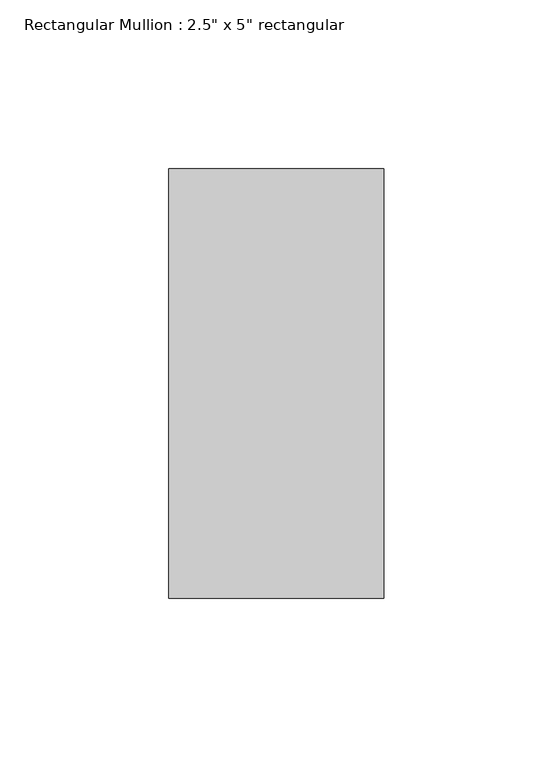
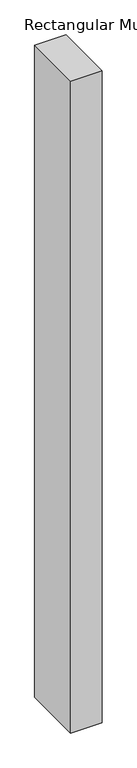
"""IFC4 building model written with IfcOpenShell, lengths in millimetres: member geometry."""

from ifc_helpers import new_model, si_unit, frame, origin, place, context, project, spatial, polyline, outline, extrude, source, transform, mapped, element, save


def member_d09b5abc(model_context):
    return source(origin(), model_context, "Body", "SweptSolid", [
        extrude(outline(polyline([(31.75, 63.5), (31.75, -63.5), (-31.75, -63.5), (-31.75, 63.5), (31.75, 63.5)])), frame((0.0, 0.0, -1401.2333336), z_axis=(0.0, 0.0, 1.0), x_axis=(1.0, 0.0, 0.0)), (0.0, 0.0, 1.0), 1401.2333336),
    ])


if __name__ == "__main__":
    model = new_model("IFC4")
    model_context = context("Model", 3, world=origin())
    ifc_project = project(units=[si_unit("LENGTHUNIT", "METRE", prefix="MILLI")], contexts=[model_context])
    site = spatial("IfcSite", under=ifc_project)
    building = spatial("IfcBuilding", under=site)
    placement = place(None, origin())
    member_shape = member_d09b5abc(model_context)
    element("IfcMember", 1, ObjectType="Rectangular Mullion : 2.5\" x 5\" rectangular", at=placement, inside=building, context=model_context, shape_type="MappedRepresentation", body=[
        mapped(member_shape, transform((0.0, 0.0, 0.0), x_axis=(1.0, 0.0, 0.0), y_axis=(0.0, 1.0, 0.0), z_axis=(0.0, 0.0, 1.0))),
    ])
    save(model, "model.ifc")
